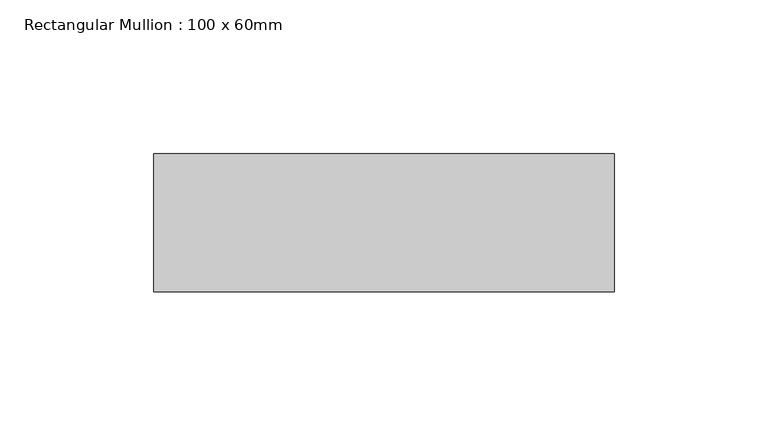
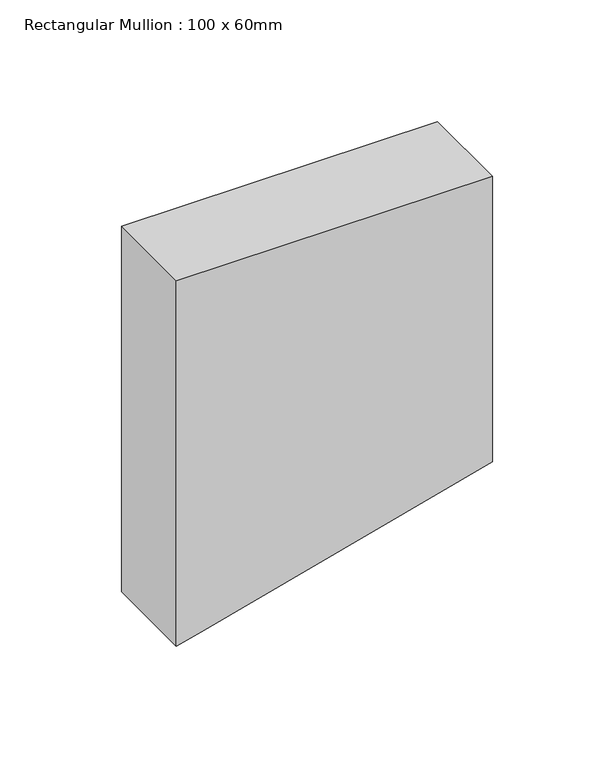
"""IFC4 building model written with IfcOpenShell, lengths in millimetres: member geometry, Rectangular Mullion : 100 x 60mm."""

from ifc_helpers import new_model, si_unit, frame, origin, place, context, project, spatial, polyline, outline, extrude, source, transform, mapped, element, save


def rectangular_mullion_100_x_60mm_20dc8935(model_context):
    return source(origin(), model_context, "Body", "SweptSolid", [
        extrude(outline(polyline([(0.0, 75.0), (0.0, -75.0), (-183.3874983, -75.0), (-180.6288974, -64.7047613), (-143.1951195, 75.0), (0.0, 75.0)])), frame((0.0, -30.0, 0.0), z_axis=(0.0, 1.0, 0.0), x_axis=(0.0, 0.0, 1.0)), (0.0, 0.0, 1.0), 45.0),
    ])


if __name__ == "__main__":
    model = new_model("IFC4")
    model_context = context("Model", 3, world=origin())
    ifc_project = project(units=[si_unit("LENGTHUNIT", "METRE", prefix="MILLI")], contexts=[model_context])
    site = spatial("IfcSite", under=ifc_project)
    building = spatial("IfcBuilding", under=site)
    placement = place(None, origin())
    rectangular_mullion_100_x_60mm_shape = rectangular_mullion_100_x_60mm_20dc8935(model_context)
    element("IfcMember", 1, ObjectType="Rectangular Mullion : 100 x 60mm", at=placement, inside=building, context=model_context, shape_type="MappedRepresentation", body=[
        mapped(rectangular_mullion_100_x_60mm_shape, transform((0.0, 0.0, 0.0), x_axis=(1.0, 0.0, 0.0), y_axis=(0.0, 1.0, 0.0), z_axis=(0.0, 0.0, 1.0))),
    ])
    save(model, "model.ifc")
